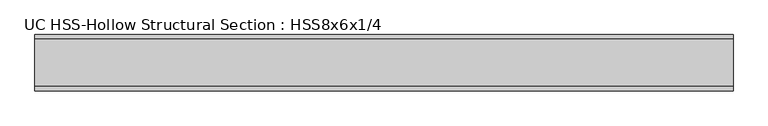
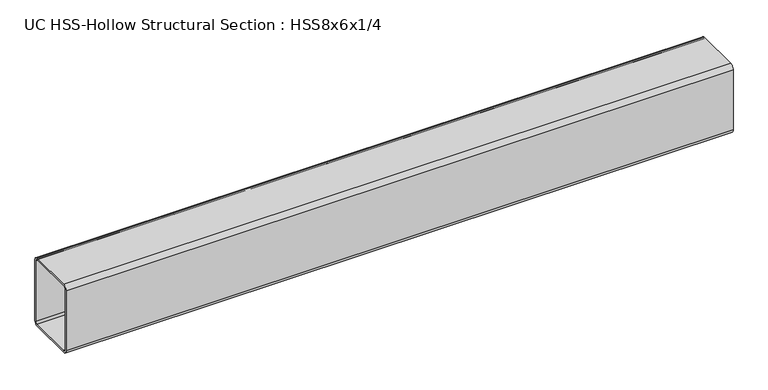
"""IFC4 building model written with IfcOpenShell, lengths in millimetres: beam geometry, UC HSS-Hollow Structural Section : HSS8x6x1/4."""

from ifc_helpers import new_model, si_unit, point, frame, frame_2d, origin, place, context, project, spatial, polyline, circle_curve, trimmed, segment, composite_curve, outline, extrude, source, transform, mapped, element, save


def uc_hss_hollow_structural_section_hss8x6x1_4_f71de471(model_context):
    return source(origin(), model_context, "Body", "SweptSolid", [
        extrude(outline(composite_curve([segment(trimmed(circle_curve(frame_2d((-64.3636, 89.7636)), 11.8364), [point((-76.2, 89.7636))], [point((-64.3636, 101.6))], False, "CARTESIAN"), True, "CONTINUOUS"), segment(polyline([(-64.3636, 101.6), (64.3636, 101.6)]), True, "CONTINUOUS"), segment(trimmed(circle_curve(frame_2d((64.3636, 89.7636)), 11.8364), [point((64.3636, 101.6))], [point((76.2, 89.7636))], False, "CARTESIAN"), True, "CONTINUOUS"), segment(polyline([(76.2, 89.7636), (76.2, -89.7636)]), True, "CONTINUOUS"), segment(trimmed(circle_curve(frame_2d((64.3636, -89.7636)), 11.8364), [point((76.2, -89.7636))], [point((64.3636, -101.6))], False, "CARTESIAN"), True, "CONTINUOUS"), segment(polyline([(64.3636, -101.6), (-64.3636, -101.6)]), True, "CONTINUOUS"), segment(trimmed(circle_curve(frame_2d((-64.3636, -89.7636)), 11.8364), [point((-64.3636, -101.6))], [point((-76.2, -89.7636))], False, "CARTESIAN"), True, "CONTINUOUS"), segment(polyline([(-76.2, -89.7636), (-76.2, 89.7636)]), True, "CONTINUOUS")], self_intersect=False), holes=[composite_curve([segment(polyline([(64.3636, 95.6818), (-64.3636, 95.6818)]), True, "CONTINUOUS"), segment(trimmed(circle_curve(frame_2d((-64.3636, 89.7636)), 5.9182), [point((-64.3636, 95.6818))], [point((-70.2818, 89.7636))], True, "CARTESIAN"), True, "CONTINUOUS"), segment(polyline([(-70.2818, 89.7636), (-70.2818, -89.7636)]), True, "CONTINUOUS"), segment(trimmed(circle_curve(frame_2d((-64.3636, -89.7636)), 5.9182), [point((-70.2818, -89.7636))], [point((-64.3636, -95.6818))], True, "CARTESIAN"), True, "CONTINUOUS"), segment(polyline([(-64.3636, -95.6818), (64.3636, -95.6818)]), True, "CONTINUOUS"), segment(trimmed(circle_curve(frame_2d((64.3636, -89.7636)), 5.9182), [point((64.3636, -95.6818))], [point((70.2818, -89.7636))], True, "CARTESIAN"), True, "CONTINUOUS"), segment(polyline([(70.2818, -89.7636), (70.2818, 89.7636)]), True, "CONTINUOUS"), segment(trimmed(circle_curve(frame_2d((64.3636, 89.7636)), 5.9182), [point((70.2818, 89.7636))], [point((64.3636, 95.6818))], True, "CARTESIAN"), True, "CONTINUOUS")], self_intersect=False)]), frame((-645.4360324, 0.0, 0.0), z_axis=(1.0, 0.0, 0.0), x_axis=(0.0, 1.0, 0.0)), (0.0, 0.0, 1.0), 1884.2440515),
    ])


if __name__ == "__main__":
    model = new_model("IFC4")
    model_context = context("Model", 3, world=origin())
    ifc_project = project(units=[si_unit("LENGTHUNIT", "METRE", prefix="MILLI")], contexts=[model_context])
    site = spatial("IfcSite", under=ifc_project)
    building = spatial("IfcBuilding", under=site)
    placement = place(None, origin())
    uc_hss_hollow_structural_section_hss8x6x1_4_shape = uc_hss_hollow_structural_section_hss8x6x1_4_f71de471(model_context)
    element("IfcBeam", 1, ObjectType="UC HSS-Hollow Structural Section : HSS8x6x1/4", at=placement, inside=building, context=model_context, shape_type="MappedRepresentation", body=[
        mapped(uc_hss_hollow_structural_section_hss8x6x1_4_shape, transform((0.0, 0.0, 0.0), x_axis=(1.0, 0.0, 0.0), y_axis=(0.0, 1.0, 0.0), z_axis=(0.0, 0.0, 1.0))),
    ])
    save(model, "model.ifc")
